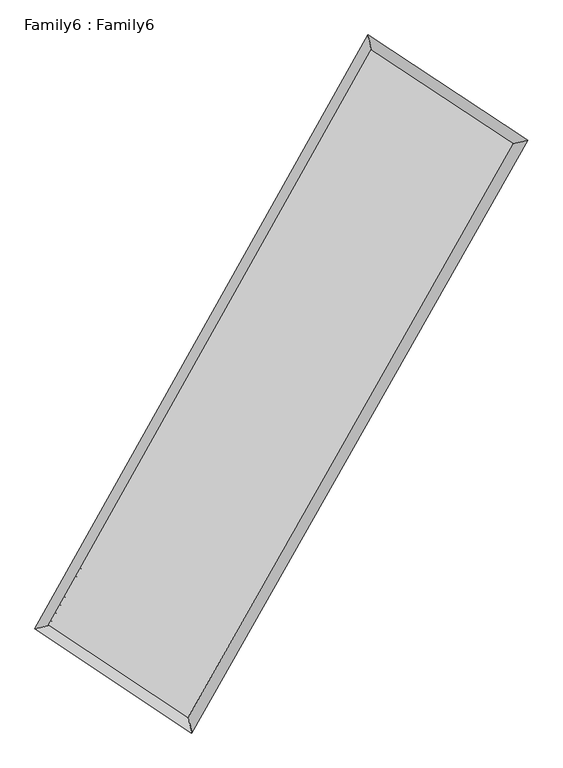
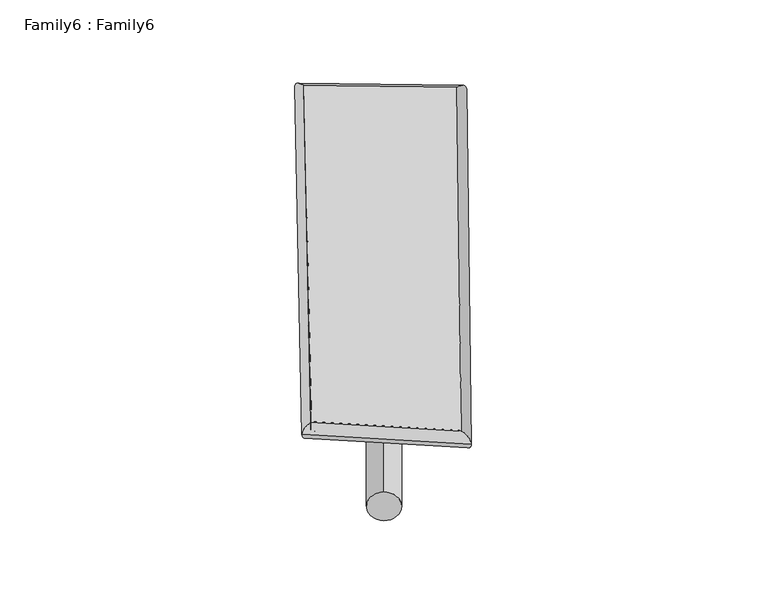
"""IFC4 building model written with IfcOpenShell, lengths in millimetres: plate geometry, Family6 : Family6."""

import ifcopenshell
import ifcopenshell.guid

model = None  # the IFC model being written
_history = None  # IfcOwnerHistory: only IFC2X3 demands one
_inside = {}  # id of a spatial element -> (the spatial element, [elements in it])
_under = {}  # id of a project, library or spatial element -> (it, [spatial elements below it])
_declared = {}  # id of a project -> (the project, [libraries it declares])
_typed = {}  # id of a type object -> (the type object, [elements of that type])
_made_of = {}  # id of a material, layer set ... -> (it, [elements and type objects made of it])


def new_model(schema):
    """Start an empty IFC model of exactly this schema.

    Asked for "IFC4X3", IfcOpenShell would pick the latest addendum, in which some entities
    have other attributes; the version numbers below select the first issue.
    IFC2X3 requires an IfcOwnerHistory on every rooted entity: one is made here for all.
    """
    global model, _history
    if schema == "IFC4X3":
        model = ifcopenshell.file(schema_version=(4, 3, 0, 0))
    else:
        model = ifcopenshell.file(schema=schema)
    _inside.clear()
    _under.clear()
    _declared.clear()
    _typed.clear()
    _made_of.clear()
    _history = None
    if model.schema == "IFC2X3":
        org = make("IfcOrganization", Name="unknown")
        user = make(
            "IfcPersonAndOrganization",
            ThePerson=make("IfcPerson", FamilyName="unknown"),
            TheOrganization=org,
        )
        app = make(
            "IfcApplication",
            ApplicationDeveloper=org,
            Version="unknown",
            ApplicationFullName="unknown",
            ApplicationIdentifier="unknown",
        )
        _history = make(
            "IfcOwnerHistory",
            OwningUser=user,
            OwningApplication=app,
            ChangeAction="ADDED",
            CreationDate=0,
        )
    return model


def make(cls, **values):
    """One entity of the class cls with the attributes given. An attribute that is None is left unset."""
    return model.create_entity(
        cls, **{name: value for name, value in values.items() if value is not None}
    )


def rooted(cls, **values):
    """An entity with a GlobalId (a new one), such as an element, a storey or a relation."""
    return make(cls, GlobalId=ifcopenshell.guid.new(), OwnerHistory=_history, **values)


def si_unit(unit_type, name, prefix=None):
    """IfcSIUnit, for example si_unit("LENGTHUNIT", "METRE", prefix="MILLI")."""
    return make("IfcSIUnit", UnitType=unit_type, Prefix=prefix, Name=name)


def assignment(units):
    """IfcUnitAssignment: the units of a project."""
    return None if units is None else make("IfcUnitAssignment", Units=units)


def point(xyz):
    """IfcCartesianPoint."""
    return None if xyz is None else make("IfcCartesianPoint", Coordinates=xyz)


def direction(xyz):
    """IfcDirection."""
    return None if xyz is None else make("IfcDirection", DirectionRatios=xyz)


def frame(location, z_axis=None, x_axis=None):
    """IfcAxis2Placement3D, a coordinate frame: its origin and axes. An axis left out is left unset."""
    return make(
        "IfcAxis2Placement3D",
        Location=point(location),
        Axis=direction(z_axis),
        RefDirection=direction(x_axis),
    )


def frame_2d(location, x_axis=None):
    """IfcAxis2Placement2D, a coordinate frame in the plane: its origin and x axis."""
    return make(
        "IfcAxis2Placement2D", Location=point(location), RefDirection=direction(x_axis)
    )


def origin():
    """The frame at (0, 0, 0) with its axes left unset."""
    return frame((0.0, 0.0, 0.0))


def origin_2d():
    """The frame at (0, 0) in the plane with its x axis left unset."""
    return frame_2d((0.0, 0.0))


def place(relative_to, where):
    """IfcLocalPlacement: puts the frame where relative to a parent placement (None: the world)."""
    return make(
        "IfcLocalPlacement", PlacementRelTo=relative_to, RelativePlacement=where
    )


def context(
    kind, dimensions, precision=None, world=None, true_north=None, identifier=None
):
    """IfcGeometricRepresentationContext, for example the 3D "Model" context."""
    return make(
        "IfcGeometricRepresentationContext",
        ContextIdentifier=identifier,
        ContextType=kind,
        CoordinateSpaceDimension=dimensions,
        Precision=precision,
        WorldCoordinateSystem=world,
        TrueNorth=true_north,
    )


def project(units=None, contexts=None):
    """IfcProject with its units and contexts."""
    return rooted(
        "IfcProject",
        Name="project",
        RepresentationContexts=contexts,
        UnitsInContext=assignment(units),
    )


def spatial(cls, under=None, at=None, **own):
    """A site, building, storey or space (cls), placed at a placement, below another one or the project."""
    s = rooted(cls, ObjectPlacement=at, **own)
    if under is not None:
        _under.setdefault(under.id(), (under, []))[1].append(s)
    return s


def circle_curve(where, radius):
    """IfcCircle in the frame where."""
    return make("IfcCircle", Position=where, Radius=radius)


def ellipse_curve(where, semi_axis1, semi_axis2):
    """IfcEllipse in the frame where."""
    return make(
        "IfcEllipse", Position=where, SemiAxis1=semi_axis1, SemiAxis2=semi_axis2
    )


def trimmed(basis, trim1, trim2, sense, master):
    """IfcTrimmedCurve: the piece of a basis curve between two trims."""
    return make(
        "IfcTrimmedCurve",
        BasisCurve=basis,
        Trim1=trim1,
        Trim2=trim2,
        SenseAgreement=sense,
        MasterRepresentation=master,
    )


def segment(curve, same_sense, transition):
    """IfcCompositeCurveSegment."""
    return make(
        "IfcCompositeCurveSegment",
        Transition=transition,
        SameSense=same_sense,
        ParentCurve=curve,
    )


def composite_curve(segments, self_intersect=None):
    """IfcCompositeCurve: segments joined end to end."""
    return make("IfcCompositeCurve", Segments=segments, SelfIntersect=self_intersect)


def outline(outer, holes=None, kind="AREA"):
    """IfcArbitraryClosedProfileDef: a profile drawn as a closed curve; with holes, ...WithVoids."""
    if holes is None:
        return make("IfcArbitraryClosedProfileDef", ProfileType=kind, OuterCurve=outer)
    return make(
        "IfcArbitraryProfileDefWithVoids",
        ProfileType=kind,
        OuterCurve=outer,
        InnerCurves=holes,
    )


def extrude(swept, where, along, depth):
    """IfcExtrudedAreaSolid: the profile swept, set in the frame where, extruded along a direction by depth."""
    return make(
        "IfcExtrudedAreaSolid",
        SweptArea=swept,
        Position=where,
        ExtrudedDirection=direction(along),
        Depth=depth,
    )


def shape(context_of_items, identifier, shape_type, items):
    """IfcShapeRepresentation: the items that make up one representation, for example the "Body"."""
    return make(
        "IfcShapeRepresentation",
        ContextOfItems=context_of_items,
        RepresentationIdentifier=identifier,
        RepresentationType=shape_type,
        Items=items,
    )


def source(mapping_origin, context_of_items, identifier, shape_type, items):
    """IfcRepresentationMap: a shape defined once, which mapped items show again and again."""
    return make(
        "IfcRepresentationMap",
        MappingOrigin=mapping_origin,
        MappedRepresentation=shape(context_of_items, identifier, shape_type, items),
    )


def transform(
    local_origin,
    x_axis=None,
    y_axis=None,
    z_axis=None,
    scale=None,
    scale2=None,
    scale3=None,
    uniform=True,
):
    """IfcCartesianTransformationOperator3D, or its non-uniform kind. x_axis, y_axis, z_axis: its Axis1, 2, 3."""
    if uniform:
        return make(
            "IfcCartesianTransformationOperator3D",
            Axis1=direction(x_axis),
            Axis2=direction(y_axis),
            LocalOrigin=point(local_origin),
            Scale=scale,
            Axis3=direction(z_axis),
        )
    return make(
        "IfcCartesianTransformationOperator3DnonUniform",
        Axis1=direction(x_axis),
        Axis2=direction(y_axis),
        LocalOrigin=point(local_origin),
        Scale=scale,
        Axis3=direction(z_axis),
        Scale2=scale2,
        Scale3=scale3,
    )


def mapped(mapping_source, mapping_target):
    """IfcMappedItem: shows the shape of a source again, moved by a transform."""
    return make(
        "IfcMappedItem", MappingSource=mapping_source, MappingTarget=mapping_target
    )


def made_of(thing, what):
    """Note that an element or type object is made of a material, layer set ...; save() writes the relation."""
    if what is not None:
        _made_of.setdefault(what.id(), (what, []))[1].append(thing)
    return thing


def element(
    cls,
    number,
    at=None,
    inside=None,
    cuts=None,
    type_object=None,
    material=None,
    context=None,
    identifier="Body",
    shape_type=None,
    held_by="IfcProductDefinitionShape",
    body=None,
    shapes=None,
    **own,
):
    """One element of the class cls, such as IfcWall. Its Tag is "e" and its number.

    at: its placement. inside: the storey or other place that contains it. cuts: it is an
    opening in that element (IfcRelVoidsElement). A single representation is given by context,
    identifier, shape_type and body (its items); several are given by shapes. held_by: the class
    of the entity that holds the representations. save() writes the other relations.
    """
    e = rooted(cls, Tag="e%d" % number, ObjectPlacement=at, **own)
    if body is not None:
        shapes = [shape(context, identifier, shape_type, body)]
    if shapes is not None:
        e.Representation = make(held_by, Representations=shapes)
    if inside is not None:
        _inside.setdefault(inside.id(), (inside, []))[1].append(e)
    if cuts is not None:
        rooted(
            "IfcRelVoidsElement", RelatingBuildingElement=cuts, RelatedOpeningElement=e
        )
    if type_object is not None:
        _typed.setdefault(type_object.id(), (type_object, []))[1].append(e)
    return made_of(e, material)


def aggregate(whole, parts):
    """IfcRelAggregates: a whole, such as a stair, and the parts it consists of."""
    return rooted("IfcRelAggregates", RelatingObject=whole, RelatedObjects=parts)


def save(model, path):
    """Write the relations noted so far, then the file.

    IfcRelAggregates (storeys below a building ...), IfcRelContainedInSpatialStructure (elements
    in a storey), IfcRelDefinesByType, IfcRelAssociatesMaterial and IfcRelDeclares: one each for
    every whole, place, type object, material and project.
    """
    for whole, parts in _under.values():
        aggregate(whole, parts)
    for where, things in _inside.values():
        rooted(
            "IfcRelContainedInSpatialStructure",
            RelatedElements=things,
            RelatingStructure=where,
        )
    for kind, things in _typed.values():
        rooted("IfcRelDefinesByType", RelatedObjects=things, RelatingType=kind)
    for what, things in _made_of.values():
        rooted("IfcRelAssociatesMaterial", RelatedObjects=things, RelatingMaterial=what)
    for by, libraries in _declared.values():
        rooted("IfcRelDeclares", RelatingContext=by, RelatedDefinitions=libraries)
    model.write(path)


def plane_surface(at):
    """IfcPlane: the flat surface through the origin of the frame at, square to its z axis."""
    return make("IfcPlane", Position=at)


def cylinder_surface(at, radius):
    """IfcCylindricalSurface: all points at the distance radius from the z axis of the frame at."""
    return make("IfcCylindricalSurface", Position=at, Radius=radius)


def spline_surface(u_degree, v_degree, points, u_multiplicities, v_multiplicities, u_knots, v_knots, weights=None):
    """IfcBSplineSurfaceWithKnots; with weights, IfcRationalBSplineSurfaceWithKnots. points: one row for each step in u."""
    own = dict(
        UDegree=u_degree,
        VDegree=v_degree,
        ControlPointsList=[[point(p) for p in row] for row in points],
        SurfaceForm="UNSPECIFIED",
        UClosed=False,
        VClosed=False,
        SelfIntersect=False,
        UMultiplicities=u_multiplicities,
        VMultiplicities=v_multiplicities,
        UKnots=u_knots,
        VKnots=v_knots,
        KnotSpec="UNSPECIFIED",
    )
    if weights is None:
        return make("IfcBSplineSurfaceWithKnots", **own)
    return make("IfcRationalBSplineSurfaceWithKnots", WeightsData=weights, **own)


def advanced_brep(points, edges, surfaces, faces):
    """IfcAdvancedBrep: a solid bounded by faces that lie on surfaces and meet in shared edges.

    An edge is (start, end): straight between two places in points (the first is 0);
    or (start, end, curve); or (start, end, curve, False) where it runs against its curve.
    A face is (place in surfaces, loops), or (place, loops, False) where it looks against
    its surface's normal. A loop lists edges by number (the first is 1), with a minus sign
    where the edge is run from its end to its start. The first loop is the outer one.
    """
    corners = [point(p) for p in points]
    vertices = [make("IfcVertexPoint", VertexGeometry=c) for c in corners]
    made = []
    for start, end, *more in edges:
        made.append(
            make(
                "IfcEdgeCurve",
                EdgeStart=vertices[start],
                EdgeEnd=vertices[end],
                EdgeGeometry=more[0] if more else make("IfcPolyline", Points=[corners[start], corners[end]]),
                SameSense=more[1] if len(more) > 1 else True,
            )
        )
    hull = []
    for where, loops, *sense in faces:
        bounds = []
        for j, loop in enumerate(loops):
            ring = [make("IfcOrientedEdge", EdgeElement=made[abs(k) - 1], Orientation=k > 0) for k in loop]
            bounds.append(
                make(
                    "IfcFaceOuterBound" if j == 0 else "IfcFaceBound",
                    Bound=make("IfcEdgeLoop", EdgeList=ring),
                    Orientation=True,
                )
            )
        hull.append(make("IfcAdvancedFace", Bounds=bounds, FaceSurface=surfaces[where], SameSense=sense[0] if sense else True))
    return make("IfcAdvancedBrep", Outer=make("IfcClosedShell", CfsFaces=hull))


def family6_family6_ca0f6655(model_context):
    return source(origin(), model_context, "Body", "SolidModel", [
        extrude(outline(composite_curve([segment(trimmed(circle_curve(origin_2d(), 76.2), [point((-75.4341514, -10.7763074))], [point((75.4341514, 10.7763074))], False, "CARTESIAN"), True, "CONTINUOUS"), segment(trimmed(circle_curve(origin_2d(), 76.2), [point((75.4341514, 10.7763074))], [point((-75.4341514, -10.7763074))], False, "CARTESIAN"), True, "CONTINUOUS")], self_intersect=False)), frame((9144.0, 9144.0, 0.0), z_axis=(0.6688330509847966, 0.686994764236804, 0.2840784113965484), x_axis=(-0.6800514386944284, 0.7197665392592179, -0.13952121592233502)), (0.0, 0.0, 1.0), 5488.495446),
        extrude(outline(composite_curve([segment(trimmed(circle_curve(origin_2d(), 76.2), [point((-53.8815367, 53.8815367))], [point((53.8815367, -53.8815367))], False, "CARTESIAN"), True, "CONTINUOUS"), segment(trimmed(circle_curve(origin_2d(), 76.2), [point((53.8815367, -53.8815367))], [point((-53.8815367, 53.8815367))], False, "CARTESIAN"), True, "CONTINUOUS")], self_intersect=False)), frame((9144.0, 9144.0, 0.0), z_axis=(-0.6657806140850443, -0.689757974768729, 0.2845524734587329), x_axis=(0.650510455155024, -0.3497802755300039, 0.674158665733934)), (0.0, 0.0, 1.0), 5480.4322638),
        extrude(outline(composite_curve([segment(trimmed(circle_curve(origin_2d(), 76.2), [point((-53.8815368, -53.8815367))], [point((53.8815368, 53.8815367))], False, "CARTESIAN"), True, "CONTINUOUS"), segment(trimmed(circle_curve(origin_2d(), 76.2), [point((53.8815368, 53.8815367))], [point((-53.8815368, -53.8815367))], False, "CARTESIAN"), True, "CONTINUOUS")], self_intersect=False)), frame((9144.0, 9144.0, 0.0), z_axis=(0.25216159276784694, 0.9311597580208419, 0.2633553420292626), x_axis=(-0.8426626246137882, 0.34509260148343945, -0.4133168245793946)), (0.0, 0.0, 1.0), 5640.7610004),
        extrude(outline(composite_curve([segment(trimmed(circle_curve(origin_2d(), 76.2), [point((-75.4341514, 10.7763073))], [point((75.4341514, -10.7763073))], False, "CARTESIAN"), True, "CONTINUOUS"), segment(trimmed(circle_curve(origin_2d(), 76.2), [point((75.4341514, -10.7763073))], [point((-75.4341514, 10.7763073))], False, "CARTESIAN"), True, "CONTINUOUS")], self_intersect=False)), frame((9144.0, 9144.0, 0.0), z_axis=(-0.2558672473479638, -0.9301506171220506, 0.26334726351728927), x_axis=(0.8851396921584179, -0.11589255828408065, 0.4506624460725257)), (0.0, 0.0, 1.0), 5639.0916336),
        advanced_brep(
        [(5293.369591, 5315.2966627, 1554.0082868), (5293.2293771, 5315.0779755, 1566.5813818), (5697.0992929, 5412.3596191, 1564.9328257), (10619.0604039, 14179.2511508, 1493.1622239), (10513.7061527, 14613.6481457, 1477.8868612), (5697.2395069, 5412.5783063, 1552.3597308), (12612.0131699, 12865.7907255, 1558.4314472), (13017.7611389, 12963.3445443, 1559.8946873), (7649.2335793, 4116.1793477, 1486.4959876), (7753.048713, 3681.4115263, 1483.5827132)],
        [
            (0, 1, ellipse_curve(frame((5495.234442, 5363.8281409, 1559.4705563), z_axis=(-0.2340969265953682, 0.9721081267964248, 0.014297509396709476), x_axis=(-0.9717946934990659, -0.23440232502884356, 0.02589640338211085)), 207.9321018, 152.4)),
            (1, 2, ellipse_curve(frame((5495.234442, 5363.8281409, 1559.4705563), z_axis=(-0.2340969265953682, 0.9721081267964248, 0.014297509396709476), x_axis=(-0.9717946934990659, -0.23440232502884356, 0.02589640338211085)), 207.9321018, 152.4)),
            (2, 3),
            (3, 4, ellipse_curve(frame((10566.3832783, 14396.4496482, 1485.5245426), z_axis=(-0.9716003942718933, -0.2361632302363942, -0.014818992375100164), x_axis=(0.235784458927742, -0.9715199428261607, 0.023551849592028364)), 223.6400929, 152.4)),
            (4, 0),
            (2, 5, ellipse_curve(frame((5495.234442, 5363.8281409, 1559.4705563), z_axis=(-0.2340969265953682, 0.9721081267964248, 0.014297509396709476), x_axis=(-0.9717946934990659, -0.23440232502884356, 0.02589640338211085)), 207.9321018, 152.4)),
            (5, 0, ellipse_curve(frame((5495.234442, 5363.8281409, 1559.4705563), z_axis=(-0.2340969265953682, 0.9721081267964248, 0.014297509396709476), x_axis=(-0.9717946934990659, -0.23440232502884356, 0.02589640338211085)), 207.9321018, 152.4)),
            (4, 3, ellipse_curve(frame((10566.3832783, 14396.4496482, 1485.5245426), z_axis=(-0.9716003942718933, -0.2361632302363942, -0.014818992375100164), x_axis=(0.235784458927742, -0.9715199428261607, 0.023551849592028364)), 223.6400929, 152.4)),
            (3, 6),
            (6, 7, ellipse_curve(frame((12814.8871544, 12914.5676349, 1559.1630672), z_axis=(-0.23369843197981888, 0.9722109053375507, -0.013820218265787906), x_axis=(-0.9719124428844471, -0.23398546610412657, -0.02523895834659411)), 208.6997363, 152.4)),
            (7, 4),
            (7, 6, ellipse_curve(frame((12814.8871544, 12914.5676349, 1559.1630672), z_axis=(-0.23369843197981888, 0.9722109053375507, -0.013820218265787906), x_axis=(-0.9719124428844471, -0.23398546610412657, -0.02523895834659411)), 208.6997363, 152.4)),
            (6, 8),
            (8, 9, ellipse_curve(frame((7701.1411462, 3898.795437, 1485.0393504), z_axis=(0.9725172713965209, 0.23232345452504494, -0.015361292686973012), x_axis=(-0.2319234535870997, 0.9724356934518962, 0.024090117827904673)), 223.5398198, 152.4)),
            (9, 7),
            (9, 8, ellipse_curve(frame((7701.1411462, 3898.795437, 1485.0393504), z_axis=(0.9725172713965209, 0.23232345452504494, -0.015361292686973012), x_axis=(-0.2319234535870997, 0.9724356934518962, 0.024090117827904673)), 223.5398198, 152.4)),
            (8, 5),
            (1, 9),
        ],
        [
            cylinder_surface(frame((5495.234442, 5363.8281409, 1559.4705563), z_axis=(-0.4895372159833386, -0.8719531862423652, 0.0071382889455082164), x_axis=(-0.8713376842339338, 0.48884413313724334, -0.04245060106927504)), 152.4),
            cylinder_surface(frame((10566.3832783, 14396.4496482, 1485.5245426), z_axis=(-0.8346609466582379, 0.5500853510642136, -0.027335154437738325), x_axis=(0.5506463299758556, 0.8344804051273947, -0.020762291360548964)), 152.4),
            cylinder_surface(frame((12814.8871544, 12914.5676349, 1559.1630672), z_axis=(0.49335106611438667, 0.8698008893057855, 0.007151120657856747), x_axis=(0.8698282390235846, -0.49335106611438667, -0.0018868388717988571)), 152.4),
            cylinder_surface(frame((7701.1411462, 3898.795437, 1485.0393504), z_axis=(0.8326912676826255, -0.5530242675479121, -0.02809648070840066), x_axis=(-0.5526434931224863, -0.833163588211649, 0.0205816614408624)), 152.4),
        ],
        [
            (0, [[1, 2, 3, 4, 5]]),
            (0, [[6, 7, -5, 8, -3]]),
            (1, [[-4, 9, 10, 11]]),
            (1, [[-8, -11, 12, -9]]),
            (2, [[-10, 13, 14, 15]]),
            (2, [[-12, -15, 16, -13]]),
            (3, [[-14, 17, -6, -2, 18]]),
            (3, [[-16, -18, -1, -7, -17]]),
        ],
    ),
        extrude(outline(composite_curve([segment(trimmed(circle_curve(origin_2d(), 304.8), [point((0.0, 304.8))], [point((-1e-07, -304.8))], False, "CARTESIAN"), True, "CONTINUOUS"), segment(trimmed(circle_curve(origin_2d(), 304.8), [point((-1e-07, -304.8))], [point((0.0, 304.8))], False, "CARTESIAN"), True, "CONTINUOUS")], self_intersect=False)), frame((11732.0394523, 13642.8349285, -0.0288818), z_axis=(-0.4986462295836701, -0.8668055939430845, 5.564747119536202e-06), x_axis=(-0.8668055939596724, 0.49864622958367005, -1.4864108928891044e-06)), (0.0, 0.0, 1.0), 10380.2627946),
        advanced_brep(
        [(5495.234442, 5363.8281409, 1559.4705563), (7701.1411462, 3898.795437, 1485.0393504), (7701.1284677, 3898.8005194, 1637.4393498), (5495.2217635, 5363.8332232, 1711.8705557), (12814.8871544, 12914.5676349, 1559.1630672), (12814.874476, 12914.5727172, 1711.5630666), (10566.3832783, 14396.4496482, 1485.5245426), (10566.3705998, 14396.4547306, 1637.924542)],
        [
            (0, 1),
            (1, 2),
            (2, 3),
            (3, 0),
            (1, 4),
            (4, 5),
            (5, 2),
            (4, 6),
            (6, 7),
            (7, 5),
            (6, 0),
            (3, 7),
        ],
        [
            plane_surface(frame((6598.1877941, 4631.311789, 1522.2549533), z_axis=(-0.5532431060382353, -0.8330198468753732, -1.824543541387516e-05), x_axis=(0.8326912676826255, -0.5530242675479121, -0.028096480708400644))),
            plane_surface(frame((10258.0141503, 8406.681536, 1522.1012088), z_axis=(0.8698228135378866, -0.49336423174045707, 8.88154477730811e-05), x_axis=(0.4933510661143867, 0.8698008893057853, 0.007151120657856772))),
            plane_surface(frame((11690.6352164, 13655.5086416, 1522.3438049), z_axis=(0.5502905715450336, 0.8349732250479581, 1.793466525315708e-05), x_axis=(-0.8346609466582378, 0.5500853510642139, -0.02733515443773833))),
            plane_surface(frame((8030.8088601, 9880.1388946, 1522.4975494), z_axis=(-0.8719757094680187, 0.48954913359165936, -8.886732362421495e-05), x_axis=(-0.48953721598333866, -0.8719531862423651, 0.007138288945508222))),
            spline_surface(1, 1, [[(7701.1284677, 3898.8005194, 1637.4393498), (5495.2217635, 5363.8332232, 1711.8705557)], [(12814.874476, 12914.5727172, 1711.5630666), (10566.3705998, 14396.4547306, 1637.924542)]], [2, 2], [2, 2], [0.0, 1.0], [0.0, 1.0]),
            spline_surface(1, 1, [[(10566.3832783, 14396.4496482, 1485.5245426), (5495.234442, 5363.8281409, 1559.4705563)], [(12814.8871544, 12914.5676349, 1559.1630672), (7701.1411462, 3898.795437, 1485.0393504)]], [2, 2], [2, 2], [0.0, 1.0], [0.0, 1.0]),
        ],
        [
            (0, [[1, 2, 3, 4]]),
            (1, [[5, 6, 7, -2]]),
            (2, [[8, 9, 10, -6]]),
            (3, [[11, -4, 12, -9]]),
            (4, [[-3, -7, -10, -12]]),
            (5, [[-11, -8, -5, -1]]),
        ],
    ),
    ])


if __name__ == "__main__":
    model = new_model("IFC4")
    model_context = context("Model", 3, world=origin())
    ifc_project = project(units=[si_unit("LENGTHUNIT", "METRE", prefix="MILLI")], contexts=[model_context])
    site = spatial("IfcSite", under=ifc_project)
    building = spatial("IfcBuilding", under=site)
    placement = place(None, origin())
    family6_family6_shape = family6_family6_ca0f6655(model_context)
    element("IfcPlate", 1, ObjectType="Family6 : Family6", at=placement, inside=building, context=model_context, shape_type="MappedRepresentation", body=[
        mapped(family6_family6_shape, transform((0.0, 0.0, 0.0), x_axis=(1.0, 0.0, 0.0), y_axis=(0.0, 1.0, 0.0), z_axis=(0.0, 0.0, 1.0))),
    ])
    save(model, "model.ifc")
